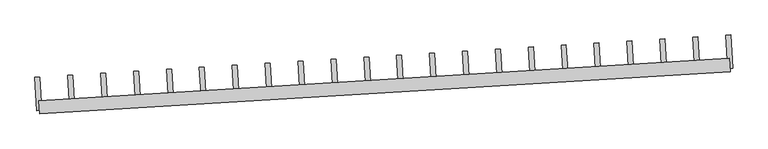
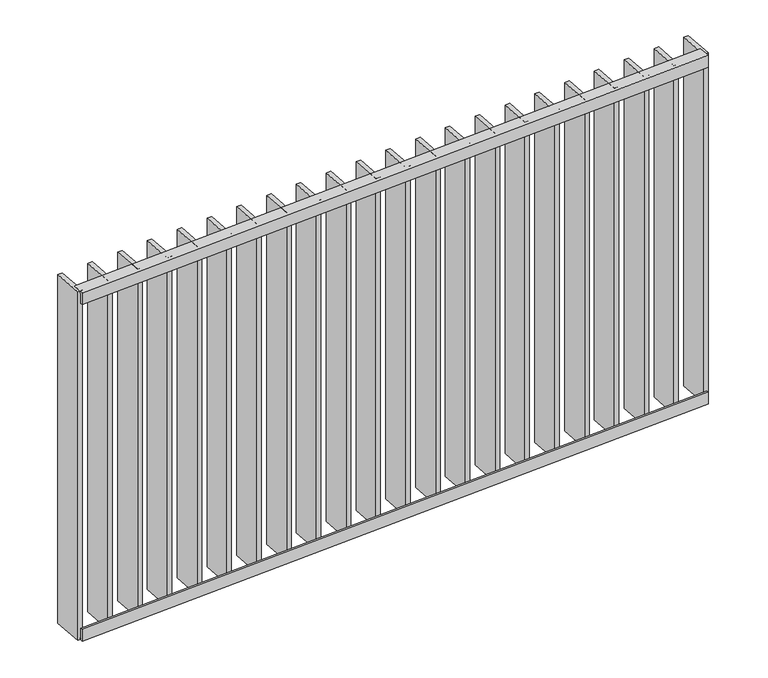
"""IFC4 building model written with IfcOpenShell, lengths in millimetres: railing geometry."""

from ifc_helpers import new_model, si_unit, frame, origin, place, context, project, spatial, polyline, outline, extrude, source, transform, mapped, element, save


def railing_87f28d02(model_context):
    return source(origin(), model_context, "Body", "SweptSolid", [
        extrude(outline(polyline([(13.9999999, 6.0), (13.9999999, 40.0), (19.9999999, 40.0), (19.9999999, 0.0), (-20.0, 0.0), (-20.0, 6.0), (13.9999999, 6.0)])), frame((65791.8302158, 22922.0850343, 8000.0), z_axis=(0.998134798421567, 0.0610485395397613, 0.0), x_axis=(0.0610485395397613, -0.998134798421567, 0.0)), (0.0, 0.0, 1.0), 2080.0),
        extrude(outline(polyline([(13.9999999, -6.0), (-20.0, -6.0), (-20.0, 0.0), (19.9999999, 0.0), (19.9999999, -40.0), (13.9999999, -40.0), (13.9999999, -6.0)])), frame((65791.8302158, 22922.0850343, 6820.0), z_axis=(0.998134798421567, 0.0610485395397613, 0.0), x_axis=(0.0610485395397613, -0.998134798421567, 0.0)), (0.0, 0.0, 1.0), 2080.0),
        extrude(outline(polyline([(65898.7895875, 22918.6082629), (65883.8175655, 22917.6925348), (65877.7127116, 23017.5060146), (65892.6847336, 23018.4217427), (65898.7895875, 22918.6082629)])), frame((0.0, 0.0, 6819.9), z_axis=(0.0, 0.0, 1.0), x_axis=(1.0, 0.0, 0.0)), (0.0, 0.0, 1.0), 1180.2),
        extrude(outline(polyline([(65997.6524628, 22924.6549754), (65982.6804408, 22923.7392473), (65976.5755868, 23023.5527271), (65991.5476088, 23024.4684552), (65997.6524628, 22924.6549754)])), frame((0.0, 0.0, 6819.9), z_axis=(0.0, 0.0, 1.0), x_axis=(1.0, 0.0, 0.0)), (0.0, 0.0, 1.0), 1180.2),
        extrude(outline(polyline([(66096.5153381, 22930.7016879), (66081.5433161, 22929.7859598), (66075.4384621, 23029.5994396), (66090.4104841, 23030.5151677), (66096.5153381, 22930.7016879)])), frame((0.0, 0.0, 6819.9), z_axis=(0.0, 0.0, 1.0), x_axis=(1.0, 0.0, 0.0)), (0.0, 0.0, 1.0), 1180.2),
        extrude(outline(polyline([(66195.3782133, 22936.7484004), (66180.4061913, 22935.8326723), (66174.3013374, 23035.6461521), (66189.2733594, 23036.5618802), (66195.3782133, 22936.7484004)])), frame((0.0, 0.0, 6819.9), z_axis=(0.0, 0.0, 1.0), x_axis=(1.0, 0.0, 0.0)), (0.0, 0.0, 1.0), 1180.2),
        extrude(outline(polyline([(66294.2410886, 22942.7951128), (66279.2690666, 22941.8793848), (66273.1642127, 23041.6928646), (66288.1362346, 23042.6085927), (66294.2410886, 22942.7951128)])), frame((0.0, 0.0, 6819.9), z_axis=(0.0, 0.0, 1.0), x_axis=(1.0, 0.0, 0.0)), (0.0, 0.0, 1.0), 1180.2),
        extrude(outline(polyline([(66393.1039639, 22948.8418253), (66378.1319419, 22947.9260972), (66372.0270879, 23047.7395771), (66386.9991099, 23048.6553052), (66393.1039639, 22948.8418253)])), frame((0.0, 0.0, 6819.9), z_axis=(0.0, 0.0, 1.0), x_axis=(1.0, 0.0, 0.0)), (0.0, 0.0, 1.0), 1180.2),
        extrude(outline(polyline([(66491.9668391, 22954.8885378), (66476.9948172, 22953.9728097), (66470.8899632, 23053.7862896), (66485.8619852, 23054.7020177), (66491.9668391, 22954.8885378)])), frame((0.0, 0.0, 6819.9), z_axis=(0.0, 0.0, 1.0), x_axis=(1.0, 0.0, 0.0)), (0.0, 0.0, 1.0), 1180.2),
        extrude(outline(polyline([(66590.8297144, 22960.9352503), (66575.8576924, 22960.0195222), (66569.7528385, 23059.8330021), (66584.7248605, 23060.7487302), (66590.8297144, 22960.9352503)])), frame((0.0, 0.0, 6819.9), z_axis=(0.0, 0.0, 1.0), x_axis=(1.0, 0.0, 0.0)), (0.0, 0.0, 1.0), 1180.2),
        extrude(outline(polyline([(66689.6925897, 22966.9819628), (66674.7205677, 22966.0662347), (66668.6157138, 23065.8797145), (66683.5877357, 23066.7954426), (66689.6925897, 22966.9819628)])), frame((0.0, 0.0, 6819.9), z_axis=(0.0, 0.0, 1.0), x_axis=(1.0, 0.0, 0.0)), (0.0, 0.0, 1.0), 1180.2),
        extrude(outline(polyline([(66788.555465, 22973.0286753), (66773.583443, 22972.1129472), (66767.478589, 23071.926427), (66782.450611, 23072.8421551), (66788.555465, 22973.0286753)])), frame((0.0, 0.0, 6819.9), z_axis=(0.0, 0.0, 1.0), x_axis=(1.0, 0.0, 0.0)), (0.0, 0.0, 1.0), 1180.2),
        extrude(outline(polyline([(66887.4183402, 22979.0753878), (66872.4463183, 22978.1596597), (66866.3414643, 23077.9731395), (66881.3134863, 23078.8888676), (66887.4183402, 22979.0753878)])), frame((0.0, 0.0, 6819.9), z_axis=(0.0, 0.0, 1.0), x_axis=(1.0, 0.0, 0.0)), (0.0, 0.0, 1.0), 1180.2),
        extrude(outline(polyline([(66986.2812155, 22985.1221003), (66971.3091935, 22984.2063722), (66965.2043396, 23084.019852), (66980.1763615, 23084.9355801), (66986.2812155, 22985.1221003)])), frame((0.0, 0.0, 6819.9), z_axis=(0.0, 0.0, 1.0), x_axis=(1.0, 0.0, 0.0)), (0.0, 0.0, 1.0), 1180.2),
        extrude(outline(polyline([(67085.1440908, 22991.1688128), (67070.1720688, 22990.2530847), (67064.0672148, 23090.0665645), (67079.0392368, 23090.9822926), (67085.1440908, 22991.1688128)])), frame((0.0, 0.0, 6819.9), z_axis=(0.0, 0.0, 1.0), x_axis=(1.0, 0.0, 0.0)), (0.0, 0.0, 1.0), 1180.2),
        extrude(outline(polyline([(67184.006966, 22997.2155252), (67169.0349441, 22996.2997971), (67162.9300901, 23096.113277), (67177.9021121, 23097.0290051), (67184.006966, 22997.2155252)])), frame((0.0, 0.0, 6819.9), z_axis=(0.0, 0.0, 1.0), x_axis=(1.0, 0.0, 0.0)), (0.0, 0.0, 1.0), 1180.2),
        extrude(outline(polyline([(67282.8698413, 23003.2622377), (67267.8978193, 23002.3465096), (67261.7929654, 23102.1599895), (67276.7649874, 23103.0757176), (67282.8698413, 23003.2622377)])), frame((0.0, 0.0, 6819.9), z_axis=(0.0, 0.0, 1.0), x_axis=(1.0, 0.0, 0.0)), (0.0, 0.0, 1.0), 1180.2),
        extrude(outline(polyline([(67381.7327166, 23009.3089502), (67366.7606946, 23008.3932221), (67360.6558407, 23108.206702), (67375.6278626, 23109.1224301), (67381.7327166, 23009.3089502)])), frame((0.0, 0.0, 6819.9), z_axis=(0.0, 0.0, 1.0), x_axis=(1.0, 0.0, 0.0)), (0.0, 0.0, 1.0), 1180.2),
        extrude(outline(polyline([(67480.5955919, 23015.3556627), (67465.6235699, 23014.4399346), (67459.5187159, 23114.2534145), (67474.4907379, 23115.1691425), (67480.5955919, 23015.3556627)])), frame((0.0, 0.0, 6819.9), z_axis=(0.0, 0.0, 1.0), x_axis=(1.0, 0.0, 0.0)), (0.0, 0.0, 1.0), 1180.2),
        extrude(outline(polyline([(67579.4584671, 23021.4023752), (67564.4864452, 23020.4866471), (67558.3815912, 23120.3001269), (67573.3536132, 23121.215855), (67579.4584671, 23021.4023752)])), frame((0.0, 0.0, 6819.9), z_axis=(0.0, 0.0, 1.0), x_axis=(1.0, 0.0, 0.0)), (0.0, 0.0, 1.0), 1180.2),
        extrude(outline(polyline([(67678.3213424, 23027.4490877), (67663.3493204, 23026.5333596), (67657.2444665, 23126.3468394), (67672.2164885, 23127.2625675), (67678.3213424, 23027.4490877)])), frame((0.0, 0.0, 6819.9), z_axis=(0.0, 0.0, 1.0), x_axis=(1.0, 0.0, 0.0)), (0.0, 0.0, 1.0), 1180.2),
        extrude(outline(polyline([(67777.1842177, 23033.4958002), (67762.2121957, 23032.5800721), (67756.1073417, 23132.3935519), (67771.0793637, 23133.30928), (67777.1842177, 23033.4958002)])), frame((0.0, 0.0, 6819.9), z_axis=(0.0, 0.0, 1.0), x_axis=(1.0, 0.0, 0.0)), (0.0, 0.0, 1.0), 1180.2),
        extrude(outline(polyline([(65799.9267122, 22912.5615504), (65784.9546903, 22911.6458223), (65778.8498363, 23011.4593022), (65793.8218583, 23012.3750303), (65799.9267122, 22912.5615504)])), frame((0.0, 0.0, 6819.9), z_axis=(0.0, 0.0, 1.0), x_axis=(1.0, 0.0, 0.0)), (0.0, 0.0, 1.0), 1180.2),
        extrude(outline(polyline([(67876.047093, 23039.5425127), (67861.075071, 23038.6267846), (67854.970217, 23138.4402644), (67869.942239, 23139.3559925), (67876.047093, 23039.5425127)])), frame((0.0, 0.0, 6819.9), z_axis=(0.0, 0.0, 1.0), x_axis=(1.0, 0.0, 0.0)), (0.0, 0.0, 1.0), 1180.2),
    ])


if __name__ == "__main__":
    model = new_model("IFC4")
    model_context = context("Model", 3, world=origin())
    ifc_project = project(units=[si_unit("LENGTHUNIT", "METRE", prefix="MILLI")], contexts=[model_context])
    site = spatial("IfcSite", under=ifc_project)
    building = spatial("IfcBuilding", under=site)
    placement = place(None, origin())
    railing_shape = railing_87f28d02(model_context)
    element("IfcRailing", 1, at=placement, inside=building, context=model_context, shape_type="MappedRepresentation", body=[
        mapped(railing_shape, transform((0.0, 0.0, 0.0), x_axis=(1.0, 0.0, 0.0), y_axis=(0.0, 1.0, 0.0), z_axis=(0.0, 0.0, 1.0))),
    ])
    save(model, "model.ifc")
